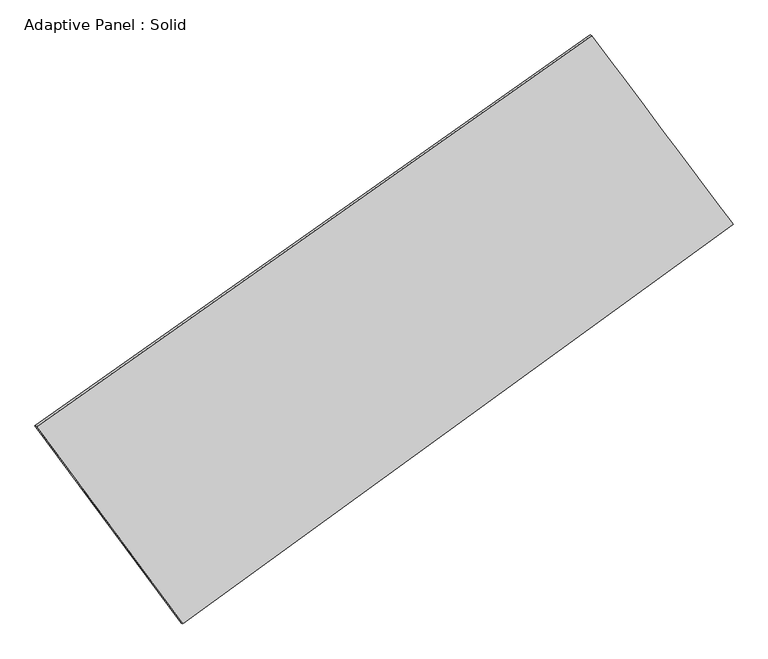
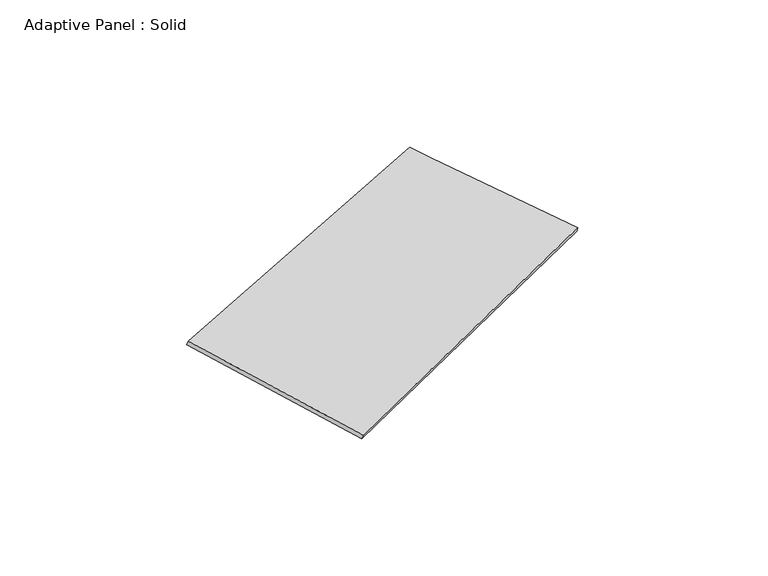
"""IFC4 building model written with IfcOpenShell, lengths in millimetres: plate geometry, Adaptive Panel : Solid."""

import ifcopenshell
import ifcopenshell.guid

model = None  # the IFC model being written
_history = None  # IfcOwnerHistory: only IFC2X3 demands one
_inside = {}  # id of a spatial element -> (the spatial element, [elements in it])
_under = {}  # id of a project, library or spatial element -> (it, [spatial elements below it])
_declared = {}  # id of a project -> (the project, [libraries it declares])
_typed = {}  # id of a type object -> (the type object, [elements of that type])
_made_of = {}  # id of a material, layer set ... -> (it, [elements and type objects made of it])


def new_model(schema):
    """Start an empty IFC model of exactly this schema.

    Asked for "IFC4X3", IfcOpenShell would pick the latest addendum, in which some entities
    have other attributes; the version numbers below select the first issue.
    IFC2X3 requires an IfcOwnerHistory on every rooted entity: one is made here for all.
    """
    global model, _history
    if schema == "IFC4X3":
        model = ifcopenshell.file(schema_version=(4, 3, 0, 0))
    else:
        model = ifcopenshell.file(schema=schema)
    _inside.clear()
    _under.clear()
    _declared.clear()
    _typed.clear()
    _made_of.clear()
    _history = None
    if model.schema == "IFC2X3":
        org = make("IfcOrganization", Name="unknown")
        user = make(
            "IfcPersonAndOrganization",
            ThePerson=make("IfcPerson", FamilyName="unknown"),
            TheOrganization=org,
        )
        app = make(
            "IfcApplication",
            ApplicationDeveloper=org,
            Version="unknown",
            ApplicationFullName="unknown",
            ApplicationIdentifier="unknown",
        )
        _history = make(
            "IfcOwnerHistory",
            OwningUser=user,
            OwningApplication=app,
            ChangeAction="ADDED",
            CreationDate=0,
        )
    return model


def make(cls, **values):
    """One entity of the class cls with the attributes given. An attribute that is None is left unset."""
    return model.create_entity(
        cls, **{name: value for name, value in values.items() if value is not None}
    )


def rooted(cls, **values):
    """An entity with a GlobalId (a new one), such as an element, a storey or a relation."""
    return make(cls, GlobalId=ifcopenshell.guid.new(), OwnerHistory=_history, **values)


def si_unit(unit_type, name, prefix=None):
    """IfcSIUnit, for example si_unit("LENGTHUNIT", "METRE", prefix="MILLI")."""
    return make("IfcSIUnit", UnitType=unit_type, Prefix=prefix, Name=name)


def assignment(units):
    """IfcUnitAssignment: the units of a project."""
    return None if units is None else make("IfcUnitAssignment", Units=units)


def point(xyz):
    """IfcCartesianPoint."""
    return None if xyz is None else make("IfcCartesianPoint", Coordinates=xyz)


def direction(xyz):
    """IfcDirection."""
    return None if xyz is None else make("IfcDirection", DirectionRatios=xyz)


def frame(location, z_axis=None, x_axis=None):
    """IfcAxis2Placement3D, a coordinate frame: its origin and axes. An axis left out is left unset."""
    return make(
        "IfcAxis2Placement3D",
        Location=point(location),
        Axis=direction(z_axis),
        RefDirection=direction(x_axis),
    )


def origin():
    """The frame at (0, 0, 0) with its axes left unset."""
    return frame((0.0, 0.0, 0.0))


def place(relative_to, where):
    """IfcLocalPlacement: puts the frame where relative to a parent placement (None: the world)."""
    return make(
        "IfcLocalPlacement", PlacementRelTo=relative_to, RelativePlacement=where
    )


def context(
    kind, dimensions, precision=None, world=None, true_north=None, identifier=None
):
    """IfcGeometricRepresentationContext, for example the 3D "Model" context."""
    return make(
        "IfcGeometricRepresentationContext",
        ContextIdentifier=identifier,
        ContextType=kind,
        CoordinateSpaceDimension=dimensions,
        Precision=precision,
        WorldCoordinateSystem=world,
        TrueNorth=true_north,
    )


def project(units=None, contexts=None):
    """IfcProject with its units and contexts."""
    return rooted(
        "IfcProject",
        Name="project",
        RepresentationContexts=contexts,
        UnitsInContext=assignment(units),
    )


def spatial(cls, under=None, at=None, **own):
    """A site, building, storey or space (cls), placed at a placement, below another one or the project."""
    s = rooted(cls, ObjectPlacement=at, **own)
    if under is not None:
        _under.setdefault(under.id(), (under, []))[1].append(s)
    return s


def shape(context_of_items, identifier, shape_type, items):
    """IfcShapeRepresentation: the items that make up one representation, for example the "Body"."""
    return make(
        "IfcShapeRepresentation",
        ContextOfItems=context_of_items,
        RepresentationIdentifier=identifier,
        RepresentationType=shape_type,
        Items=items,
    )


def source(mapping_origin, context_of_items, identifier, shape_type, items):
    """IfcRepresentationMap: a shape defined once, which mapped items show again and again."""
    return make(
        "IfcRepresentationMap",
        MappingOrigin=mapping_origin,
        MappedRepresentation=shape(context_of_items, identifier, shape_type, items),
    )


def transform(
    local_origin,
    x_axis=None,
    y_axis=None,
    z_axis=None,
    scale=None,
    scale2=None,
    scale3=None,
    uniform=True,
):
    """IfcCartesianTransformationOperator3D, or its non-uniform kind. x_axis, y_axis, z_axis: its Axis1, 2, 3."""
    if uniform:
        return make(
            "IfcCartesianTransformationOperator3D",
            Axis1=direction(x_axis),
            Axis2=direction(y_axis),
            LocalOrigin=point(local_origin),
            Scale=scale,
            Axis3=direction(z_axis),
        )
    return make(
        "IfcCartesianTransformationOperator3DnonUniform",
        Axis1=direction(x_axis),
        Axis2=direction(y_axis),
        LocalOrigin=point(local_origin),
        Scale=scale,
        Axis3=direction(z_axis),
        Scale2=scale2,
        Scale3=scale3,
    )


def mapped(mapping_source, mapping_target):
    """IfcMappedItem: shows the shape of a source again, moved by a transform."""
    return make(
        "IfcMappedItem", MappingSource=mapping_source, MappingTarget=mapping_target
    )


def made_of(thing, what):
    """Note that an element or type object is made of a material, layer set ...; save() writes the relation."""
    if what is not None:
        _made_of.setdefault(what.id(), (what, []))[1].append(thing)
    return thing


def element(
    cls,
    number,
    at=None,
    inside=None,
    cuts=None,
    type_object=None,
    material=None,
    context=None,
    identifier="Body",
    shape_type=None,
    held_by="IfcProductDefinitionShape",
    body=None,
    shapes=None,
    **own,
):
    """One element of the class cls, such as IfcWall. Its Tag is "e" and its number.

    at: its placement. inside: the storey or other place that contains it. cuts: it is an
    opening in that element (IfcRelVoidsElement). A single representation is given by context,
    identifier, shape_type and body (its items); several are given by shapes. held_by: the class
    of the entity that holds the representations. save() writes the other relations.
    """
    e = rooted(cls, Tag="e%d" % number, ObjectPlacement=at, **own)
    if body is not None:
        shapes = [shape(context, identifier, shape_type, body)]
    if shapes is not None:
        e.Representation = make(held_by, Representations=shapes)
    if inside is not None:
        _inside.setdefault(inside.id(), (inside, []))[1].append(e)
    if cuts is not None:
        rooted(
            "IfcRelVoidsElement", RelatingBuildingElement=cuts, RelatedOpeningElement=e
        )
    if type_object is not None:
        _typed.setdefault(type_object.id(), (type_object, []))[1].append(e)
    return made_of(e, material)


def aggregate(whole, parts):
    """IfcRelAggregates: a whole, such as a stair, and the parts it consists of."""
    return rooted("IfcRelAggregates", RelatingObject=whole, RelatedObjects=parts)


def save(model, path):
    """Write the relations noted so far, then the file.

    IfcRelAggregates (storeys below a building ...), IfcRelContainedInSpatialStructure (elements
    in a storey), IfcRelDefinesByType, IfcRelAssociatesMaterial and IfcRelDeclares: one each for
    every whole, place, type object, material and project.
    """
    for whole, parts in _under.values():
        aggregate(whole, parts)
    for where, things in _inside.values():
        rooted(
            "IfcRelContainedInSpatialStructure",
            RelatedElements=things,
            RelatingStructure=where,
        )
    for kind, things in _typed.values():
        rooted("IfcRelDefinesByType", RelatedObjects=things, RelatingType=kind)
    for what, things in _made_of.values():
        rooted("IfcRelAssociatesMaterial", RelatedObjects=things, RelatingMaterial=what)
    for by, libraries in _declared.values():
        rooted("IfcRelDeclares", RelatingContext=by, RelatedDefinitions=libraries)
    model.write(path)


def plane_surface(at):
    """IfcPlane: the flat surface through the origin of the frame at, square to its z axis."""
    return make("IfcPlane", Position=at)


def spline_surface(u_degree, v_degree, points, u_multiplicities, v_multiplicities, u_knots, v_knots, weights=None):
    """IfcBSplineSurfaceWithKnots; with weights, IfcRationalBSplineSurfaceWithKnots. points: one row for each step in u."""
    own = dict(
        UDegree=u_degree,
        VDegree=v_degree,
        ControlPointsList=[[point(p) for p in row] for row in points],
        SurfaceForm="UNSPECIFIED",
        UClosed=False,
        VClosed=False,
        SelfIntersect=False,
        UMultiplicities=u_multiplicities,
        VMultiplicities=v_multiplicities,
        UKnots=u_knots,
        VKnots=v_knots,
        KnotSpec="UNSPECIFIED",
    )
    if weights is None:
        return make("IfcBSplineSurfaceWithKnots", **own)
    return make("IfcRationalBSplineSurfaceWithKnots", WeightsData=weights, **own)


def advanced_brep(points, edges, surfaces, faces):
    """IfcAdvancedBrep: a solid bounded by faces that lie on surfaces and meet in shared edges.

    An edge is (start, end): straight between two places in points (the first is 0);
    or (start, end, curve); or (start, end, curve, False) where it runs against its curve.
    A face is (place in surfaces, loops), or (place, loops, False) where it looks against
    its surface's normal. A loop lists edges by number (the first is 1), with a minus sign
    where the edge is run from its end to its start. The first loop is the outer one.
    """
    corners = [point(p) for p in points]
    vertices = [make("IfcVertexPoint", VertexGeometry=c) for c in corners]
    made = []
    for start, end, *more in edges:
        made.append(
            make(
                "IfcEdgeCurve",
                EdgeStart=vertices[start],
                EdgeEnd=vertices[end],
                EdgeGeometry=more[0] if more else make("IfcPolyline", Points=[corners[start], corners[end]]),
                SameSense=more[1] if len(more) > 1 else True,
            )
        )
    hull = []
    for where, loops, *sense in faces:
        bounds = []
        for j, loop in enumerate(loops):
            ring = [make("IfcOrientedEdge", EdgeElement=made[abs(k) - 1], Orientation=k > 0) for k in loop]
            bounds.append(
                make(
                    "IfcFaceOuterBound" if j == 0 else "IfcFaceBound",
                    Bound=make("IfcEdgeLoop", EdgeList=ring),
                    Orientation=True,
                )
            )
        hull.append(make("IfcAdvancedFace", Bounds=bounds, FaceSurface=surfaces[where], SameSense=sense[0] if sense else True))
    return make("IfcAdvancedBrep", Outer=make("IfcClosedShell", CfsFaces=hull))


def adaptive_panel_solid_c464f0c9(model_context):
    return source(origin(), model_context, "Body", "AdvancedBrep", [
        advanced_brep(
        [(1113.0163191, 2403.9144729, 627.8719214), (-3647.8866491, -950.1161137, 1717.317076), (-3633.2202932, -956.4962072, 1764.689984), (1127.682675, 2397.5343795, 675.2448294), (-2393.9509629, -2640.0106052, 1036.1585035), (-2379.2846071, -2646.3906987, 1083.5314115), (2325.5307147, 785.9636732, 103.7750193), (2340.1970706, 779.5835797, 151.1479274)],
        [
            (0, 1),
            (1, 2),
            (2, 3),
            (3, 0),
            (1, 4),
            (4, 5),
            (5, 2),
            (4, 6),
            (6, 7),
            (7, 5),
            (6, 0),
            (3, 7),
        ],
        [
            plane_surface(frame((-1267.435165, 726.8991796, 1172.5944987), z_axis=(-0.5129273441629011, 0.815326032276771, 0.2686056602192345), x_axis=(-0.8035624458313719, -0.5661054299094526, 0.18388049890224228))),
            plane_surface(frame((-3020.918806, -1795.0633595, 1376.7377897), z_axis=(-0.763487029860986, -0.6277221453665859, 0.15183037723203105), x_axis=(0.5669290413884441, -0.7640346109564534, -0.3079652176642695))),
            plane_surface(frame((-34.2101241, -927.023466, 569.9667614), z_axis=(0.5294965791437959, -0.803475886257447, -0.27213943646195093), x_axis=(0.7991074087892477, 0.5800894282775069, -0.15787211412662358))),
            plane_surface(frame((1719.2735169, 1594.939073, 365.8234704), z_axis=(0.7663193811219428, 0.6239218890982201, -0.15321906676713326), x_axis=(-0.5805137861153089, 0.7746239945152819, 0.250921125557929))),
            spline_surface(1, 1, [[(-3633.2202932, -956.4962072, 1764.689984), (1127.682675, 2397.5343795, 675.2448294)], [(-2379.2846071, -2646.3906987, 1083.5314115), (2340.1970706, 779.5835797, 151.1479274)]], [2, 2], [2, 2], [0.0, 1.0], [0.0, 1.0]),
            spline_surface(1, 1, [[(2325.5307147, 785.9636732, 103.7750193), (1113.0163191, 2403.9144729, 627.8719214)], [(-2393.9509629, -2640.0106052, 1036.1585035), (-3647.8866491, -950.1161137, 1717.317076)]], [2, 2], [2, 2], [0.0, 1.0], [0.0, 1.0]),
        ],
        [
            (0, [[1, 2, 3, 4]]),
            (1, [[5, 6, 7, -2]]),
            (2, [[8, 9, 10, -6]]),
            (3, [[11, -4, 12, -9]]),
            (4, [[-3, -7, -10, -12]]),
            (5, [[-11, -8, -5, -1]]),
        ],
    ),
    ])


if __name__ == "__main__":
    model = new_model("IFC4")
    model_context = context("Model", 3, world=origin())
    ifc_project = project(units=[si_unit("LENGTHUNIT", "METRE", prefix="MILLI")], contexts=[model_context])
    site = spatial("IfcSite", under=ifc_project)
    building = spatial("IfcBuilding", under=site)
    placement = place(None, origin())
    adaptive_panel_solid_shape = adaptive_panel_solid_c464f0c9(model_context)
    element("IfcPlate", 1, ObjectType="Adaptive Panel : Solid", at=placement, inside=building, context=model_context, shape_type="MappedRepresentation", body=[
        mapped(adaptive_panel_solid_shape, transform((0.0, 0.0, 0.0), x_axis=(1.0, 0.0, 0.0), y_axis=(0.0, 1.0, 0.0), z_axis=(0.0, 0.0, 1.0))),
    ])
    save(model, "model.ifc")
